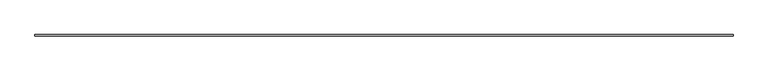
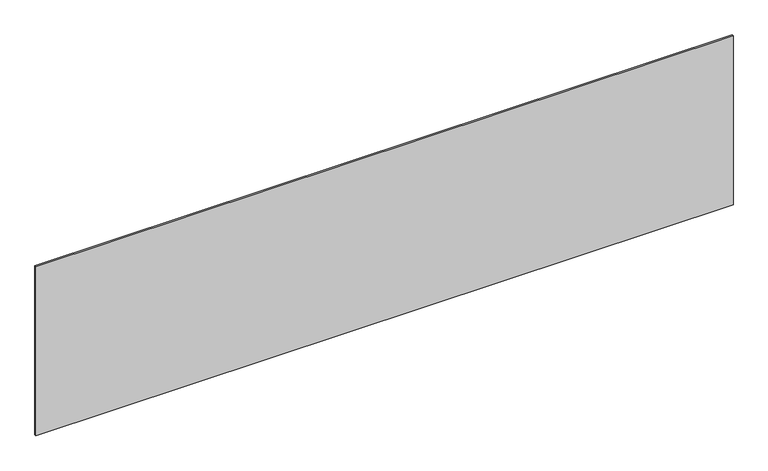
"""IFC4 building model written with IfcOpenShell, lengths in millimetres: plate geometry."""

from ifc_helpers import new_model, si_unit, origin, origin_with_axes, place, context, project, spatial, polyline, outline, extrude, source, transform, mapped, element, save


def plate_471477f6(model_context):
    return source(origin(), model_context, "Body", "SweptSolid", [
        extrude(outline(polyline([(2281.6666667, -5.0), (-2281.6666667, -5.0), (-2281.6666667, 5.0), (2281.6666667, 5.0), (2281.6666667, -5.0)])), origin_with_axes(), (0.0, 0.0, 1.0), 1169.439502),
    ])


if __name__ == "__main__":
    model = new_model("IFC4")
    model_context = context("Model", 3, world=origin())
    ifc_project = project(units=[si_unit("LENGTHUNIT", "METRE", prefix="MILLI")], contexts=[model_context])
    site = spatial("IfcSite", under=ifc_project)
    building = spatial("IfcBuilding", under=site)
    placement = place(None, origin())
    plate_shape = plate_471477f6(model_context)
    element("IfcPlate", 1, at=placement, inside=building, context=model_context, shape_type="MappedRepresentation", body=[
        mapped(plate_shape, transform((0.0, 0.0, 0.0), x_axis=(1.0, 0.0, 0.0), y_axis=(0.0, 1.0, 0.0), z_axis=(0.0, 0.0, 1.0))),
    ])
    save(model, "model.ifc")
